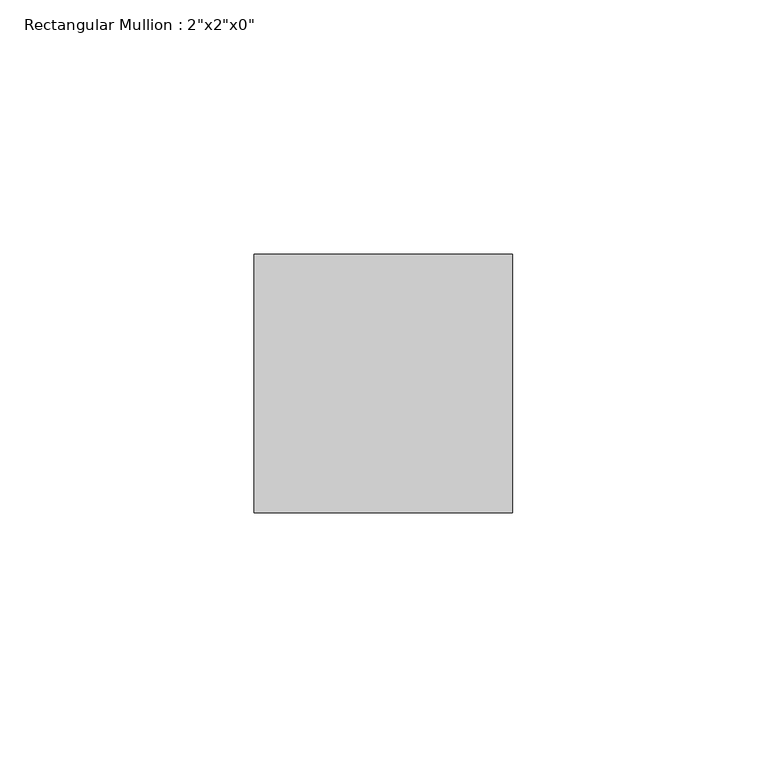
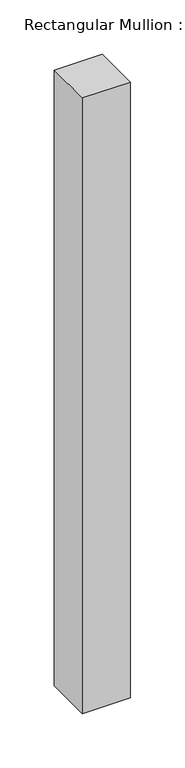
"""IFC4 building model written with IfcOpenShell, lengths in millimetres: member geometry."""

from ifc_helpers import new_model, si_unit, frame, origin, place, context, project, spatial, polyline, outline, extrude, source, transform, mapped, element, save


def member_de926988(model_context):
    return source(origin(), model_context, "Body", "SweptSolid", [
        extrude(outline(polyline([(25.4, 25.4), (25.4, -25.4), (-25.4, -25.4), (-25.4, 25.4), (25.4, 25.4)])), frame((0.0, 0.0, -689.4797694), z_axis=(0.0, 0.0, 1.0), x_axis=(1.0, 0.0, 0.0)), (0.0, 0.0, 1.0), 689.4797694),
    ])


if __name__ == "__main__":
    model = new_model("IFC4")
    model_context = context("Model", 3, world=origin())
    ifc_project = project(units=[si_unit("LENGTHUNIT", "METRE", prefix="MILLI")], contexts=[model_context])
    site = spatial("IfcSite", under=ifc_project)
    building = spatial("IfcBuilding", under=site)
    placement = place(None, origin())
    member_shape = member_de926988(model_context)
    element("IfcMember", 1, ObjectType="Rectangular Mullion : 2\"x2\"x0\"", at=placement, inside=building, context=model_context, shape_type="MappedRepresentation", body=[
        mapped(member_shape, transform((0.0, 0.0, 0.0), x_axis=(1.0, 0.0, 0.0), y_axis=(0.0, 1.0, 0.0), z_axis=(0.0, 0.0, 1.0))),
    ])
    save(model, "model.ifc")
